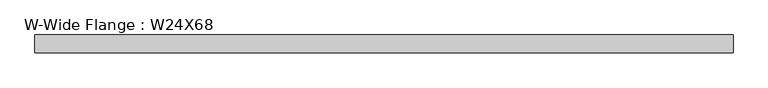
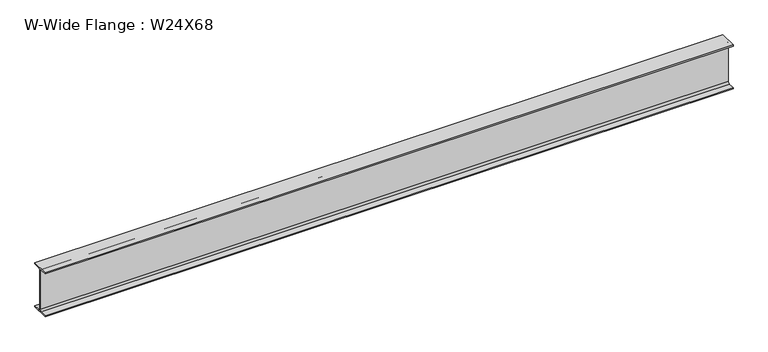
"""IFC4 building model written with IfcOpenShell, lengths in millimetres: beam geometry, W-Wide Flange : W24X68."""

from ifc_helpers import new_model, si_unit, point, frame, frame_2d, origin, place, context, project, spatial, polyline, circle_curve, trimmed, segment, composite_curve, outline, extrude, source, transform, mapped, element, save


def w_wide_flange_w24x68_deb8d44c(model_context):
    return source(origin(), model_context, "Body", "SweptSolid", [
        extrude(outline(composite_curve([segment(polyline([(113.903125, -286.0972656), (113.903125, -300.9800781), (-113.903125, -300.9800781), (-113.903125, -286.0972656), (-28.4757813, -286.0972656)]), True, "CONTINUOUS"), segment(trimmed(circle_curve(frame_2d((-28.4757813, -262.8800781)), 23.2171875), [point((-28.4757813, -286.0972656))], [point((-5.2585938, -262.8800781))], True, "CARTESIAN"), True, "CONTINUOUS"), segment(polyline([(-5.2585938, -262.8800781), (-5.2585938, 262.8800781)]), True, "CONTINUOUS"), segment(trimmed(circle_curve(frame_2d((-28.4757813, 262.8800781)), 23.2171875), [point((-5.2585938, 262.8800781))], [point((-28.4757813, 286.0972656))], True, "CARTESIAN"), True, "CONTINUOUS"), segment(polyline([(-28.4757813, 286.0972656), (-113.903125, 286.0972656), (-113.903125, 300.9800781), (113.903125, 300.9800781), (113.903125, 286.0972656), (28.4757812, 286.0972656)]), True, "CONTINUOUS"), segment(trimmed(circle_curve(frame_2d((28.4757812, 262.8800781)), 23.2171875), [point((28.4757812, 286.0972656))], [point((5.2585937, 262.8800781))], True, "CARTESIAN"), True, "CONTINUOUS"), segment(polyline([(5.2585937, 262.8800781), (5.2585937, -262.8800781)]), True, "CONTINUOUS"), segment(trimmed(circle_curve(frame_2d((28.4757812, -262.8800781)), 23.2171875), [point((5.2585937, -262.8800781))], [point((28.4757812, -286.0972656))], True, "CARTESIAN"), True, "CONTINUOUS"), segment(polyline([(28.4757812, -286.0972656), (113.903125, -286.0972656)]), True, "CONTINUOUS")], self_intersect=False)), frame((-4456.7078125, 0.0, 0.0), z_axis=(1.0, 0.0, 0.0), x_axis=(0.0, 1.0, 0.0)), (0.0, 0.0, 1.0), 8913.415625),
    ])


if __name__ == "__main__":
    model = new_model("IFC4")
    model_context = context("Model", 3, world=origin())
    ifc_project = project(units=[si_unit("LENGTHUNIT", "METRE", prefix="MILLI")], contexts=[model_context])
    site = spatial("IfcSite", under=ifc_project)
    building = spatial("IfcBuilding", under=site)
    placement = place(None, origin())
    w_wide_flange_w24x68_shape = w_wide_flange_w24x68_deb8d44c(model_context)
    element("IfcBeam", 1, ObjectType="W-Wide Flange : W24X68", at=placement, inside=building, context=model_context, shape_type="MappedRepresentation", body=[
        mapped(w_wide_flange_w24x68_shape, transform((0.0, 0.0, 0.0), x_axis=(1.0, 0.0, 0.0), y_axis=(0.0, 1.0, 0.0), z_axis=(0.0, 0.0, 1.0))),
    ])
    save(model, "model.ifc")
